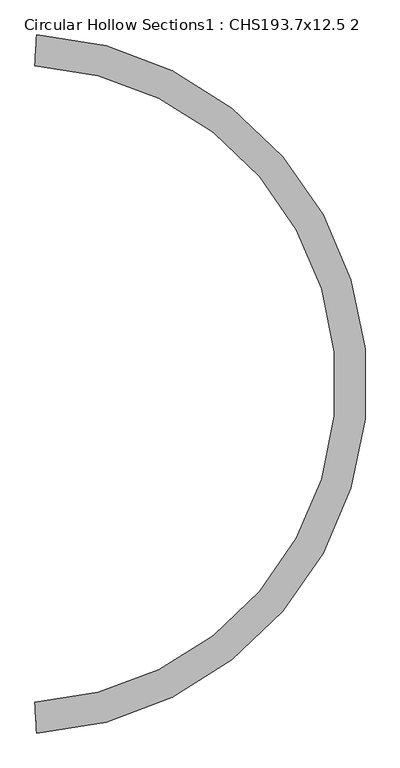
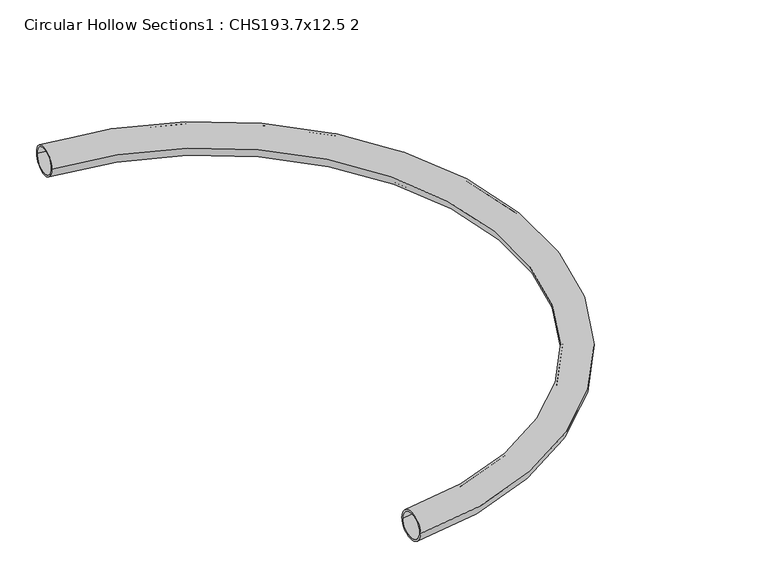
"""IFC4 building model written with IfcOpenShell, lengths in millimetres: beam geometry, Circular Hollow Sections1 : CHS193.7x12.5 2."""

from ifc_helpers import new_model, si_unit, point, frame, origin, place, context, project, spatial, circle_curve, ellipse_curve, trimmed, source, transform, mapped, element, save
from ifc_brep_helpers import plane_surface, revolved_surface, advanced_brep


def circular_hollow_sections1_chs193_7x12_5_2_9431858b(model_context):
    return source(origin(), model_context, "Body", "AdvancedBrep", [
        advanced_brep(
        [(112.0487616, 4120.0293524, 0.0), (122.8297989, 4313.4290919, 0.0), (122.1340685, 4300.9484685, 0.0), (112.7444919, 4132.5099758, 0.0), (112.0487616, 99.9706476, 0.0), (122.8297989, -93.4290919, 0.0), (122.1340685, -80.9484685, 0.0), (112.7444919, 87.4900242, 0.0)],
        [
            (0, 1, circle_curve(frame((117.4392802, 4216.7292221, 0.0), z_axis=(-0.9984498683172784, 0.05565842665050105, 0.0), x_axis=(0.05565842665050105, 0.9984498683172784, 0.0)), 96.85)),
            (1, 0, circle_curve(frame((117.4392802, 4216.7292221, 0.0), z_axis=(-0.9984498683172784, 0.05565842665050105, 0.0), x_axis=(0.05565842665050105, 0.9984498683172784, 0.0)), 96.85)),
            (2, 3, circle_curve(frame((117.4392802, 4216.7292221, 0.0), z_axis=(0.9984498683172784, -0.05565842665050105, 0.0), x_axis=(0.05565842665050105, 0.9984498683172784, 0.0)), 84.35)),
            (3, 2, circle_curve(frame((117.4392802, 4216.7292221, 0.0), z_axis=(0.9984498683172784, -0.05565842665050105, 0.0), x_axis=(0.05565842665050105, 0.9984498683172784, 0.0)), 84.35)),
            (4, 5, circle_curve(frame((117.4392802, 3.2707779, 0.0), z_axis=(-0.99844986831728, -0.055658426650475865, 0.0), x_axis=(0.055658426650475865, -0.99844986831728, 0.0)), 96.85)),
            (5, 4, circle_curve(frame((117.4392802, 3.2707779, 0.0), z_axis=(-0.99844986831728, -0.05565842665047609, 0.0), x_axis=(0.05565842665047609, -0.99844986831728, 0.0)), 96.85)),
            (6, 7, circle_curve(frame((117.4392802, 3.2707779, 0.0), z_axis=(0.99844986831728, 0.05565842665047609, 0.0), x_axis=(0.05565842665047609, -0.99844986831728, 0.0)), 84.35)),
            (7, 6, circle_curve(frame((117.4392802, 3.2707779, 0.0), z_axis=(0.99844986831728, 0.055658426650475865, 0.0), x_axis=(0.055658426650475865, -0.99844986831728, 0.0)), 84.35)),
            (1, 5, circle_curve(frame((0.0, 2110.0, 0.0), z_axis=(0.0, 0.0, -1.0), x_axis=(-1.0, 0.0, 0.0)), 2206.85)),
            (4, 0, circle_curve(frame((0.0, 2110.0, 0.0), z_axis=(0.0, 0.0, 1.0), x_axis=(-1.0, 0.0, 0.0)), 2013.15)),
            (3, 7, circle_curve(frame((0.0, 2110.0, 0.0), z_axis=(0.0, 0.0, -1.0), x_axis=(-1.0, 0.0, 0.0)), 2025.65)),
            (6, 2, circle_curve(frame((0.0, 2110.0, 0.0), z_axis=(0.0, 0.0, 1.0), x_axis=(-1.0, 0.0, 0.0)), 2194.35)),
        ],
        [
            plane_surface(frame((122.8297989, 4313.4290919, 0.0), z_axis=(-0.9984498683172793, 0.055658426650488084, 0.0), x_axis=(0.0, 0.0, 1.0))),
            plane_surface(frame((122.8297989, -93.4290919, 0.0), z_axis=(-0.9984498683172796, -0.05565842665048241, 0.0), x_axis=(0.0, 0.0, -1.0))),
            revolved_surface(trimmed(ellipse_curve(frame((-2110.0, 2110.0, 0.0), z_axis=(0.0, -1.0, 0.0), x_axis=(-1.0, 0.0, 0.0)), 96.85, 96.85), [point((-2206.85, 2110.0, 0.0))], [point((-2013.15, 2110.0, 0.0))], True, "CARTESIAN"), (0.0, 2110.0, 0.0), (0.0, 0.0, -1.0)),
            revolved_surface(trimmed(ellipse_curve(frame((-2110.0, 2110.0, 0.0), z_axis=(0.0, -1.0, 0.0), x_axis=(-1.0, 0.0, 0.0)), 96.85, 96.85), [point((-2013.15, 2110.0, 0.0))], [point((-2206.85, 2110.0, 0.0))], True, "CARTESIAN"), (0.0, 2110.0, 0.0), (0.0, 0.0, -1.0)),
            revolved_surface(trimmed(ellipse_curve(frame((-2110.0, 2110.0, 0.0), z_axis=(0.0, 1.0, 0.0), x_axis=(-1.0, 0.0, 0.0)), 84.35, 84.35), [point((-2025.65, 2110.0, 0.0))], [point((-2194.35, 2110.0, 0.0))], True, "CARTESIAN"), (0.0, 2110.0, 0.0), (0.0, 0.0, -1.0)),
            revolved_surface(trimmed(ellipse_curve(frame((-2110.0, 2110.0, 0.0), z_axis=(0.0, 1.0, 0.0), x_axis=(-1.0, 0.0, 0.0)), 84.35, 84.35), [point((-2194.35, 2110.0, 0.0))], [point((-2025.65, 2110.0, 0.0))], True, "CARTESIAN"), (0.0, 2110.0, 0.0), (0.0, 0.0, -1.0)),
        ],
        [
            (0, [[1, 2], [3, 4]]),
            (1, [[5, 6], [7, 8]]),
            (2, [[9, -5, 10, -2]]),
            (3, [[-10, -6, -9, -1]]),
            (4, [[11, -7, 12, -4]]),
            (5, [[-12, -8, -11, -3]]),
        ],
    ),
    ])


if __name__ == "__main__":
    model = new_model("IFC4")
    model_context = context("Model", 3, world=origin())
    ifc_project = project(units=[si_unit("LENGTHUNIT", "METRE", prefix="MILLI")], contexts=[model_context])
    site = spatial("IfcSite", under=ifc_project)
    building = spatial("IfcBuilding", under=site)
    placement = place(None, origin())
    circular_hollow_sections1_chs193_7x12_5_2_shape = circular_hollow_sections1_chs193_7x12_5_2_9431858b(model_context)
    element("IfcBeam", 1, ObjectType="Circular Hollow Sections1 : CHS193.7x12.5 2", at=placement, inside=building, context=model_context, shape_type="MappedRepresentation", body=[
        mapped(circular_hollow_sections1_chs193_7x12_5_2_shape, transform((0.0, 0.0, 0.0), x_axis=(1.0, 0.0, 0.0), y_axis=(0.0, 1.0, 0.0), z_axis=(0.0, 0.0, 1.0))),
    ])
    save(model, "model.ifc")
